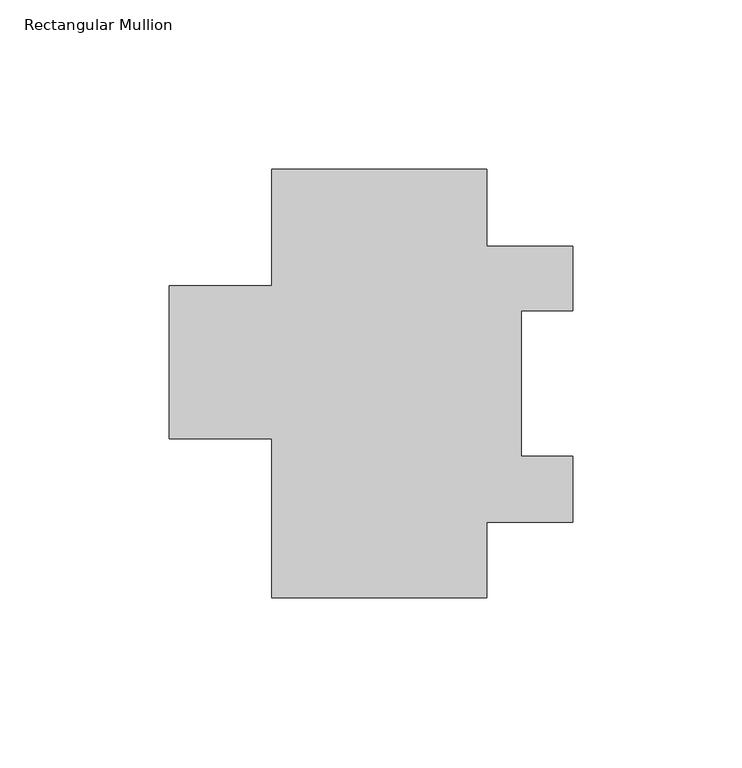
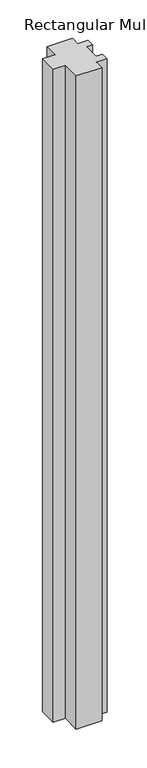
"""IFC4 building model written with IfcOpenShell, lengths in millimetres: member geometry, Rectangular Mullion."""

from ifc_helpers import new_model, si_unit, frame, origin, place, context, project, spatial, polyline, outline, extrude, source, transform, mapped, element, save


def rectangular_mullion_df480c49(model_context):
    return source(origin(), model_context, "Body", "SweptSolid", [
        extrude(outline(polyline([(-63.5, 126.7388563), (0.0, 126.7388563), (0.0, 103.9677562), (25.4, 103.9677562), (25.4, 84.9177562), (10.3124, 84.9177562), (10.3124, 42.0679562), (25.4, 42.0679562), (25.4, 22.5861562), (0.0, 22.5861562), (0.0, 0.2468563), (-63.5, 0.2468563), (-63.5, 47.1098562), (-93.6752, 47.1098562), (-93.6752, 92.3726563), (-63.5, 92.3726562), (-63.5, 126.7388563)])), frame((0.0, 0.0, -1714.5005426), z_axis=(0.0, 0.0, 1.0), x_axis=(1.0, 0.0, 0.0)), (0.0, 0.0, 1.0), 1714.5005426),
    ])


if __name__ == "__main__":
    model = new_model("IFC4")
    model_context = context("Model", 3, world=origin())
    ifc_project = project(units=[si_unit("LENGTHUNIT", "METRE", prefix="MILLI")], contexts=[model_context])
    site = spatial("IfcSite", under=ifc_project)
    building = spatial("IfcBuilding", under=site)
    placement = place(None, origin())
    rectangular_mullion_shape = rectangular_mullion_df480c49(model_context)
    element("IfcMember", 1, ObjectType="Rectangular Mullion", at=placement, inside=building, context=model_context, shape_type="MappedRepresentation", body=[
        mapped(rectangular_mullion_shape, transform((0.0, 0.0, 0.0), x_axis=(1.0, 0.0, 0.0), y_axis=(0.0, 1.0, 0.0), z_axis=(0.0, 0.0, 1.0))),
    ])
    save(model, "model.ifc")
